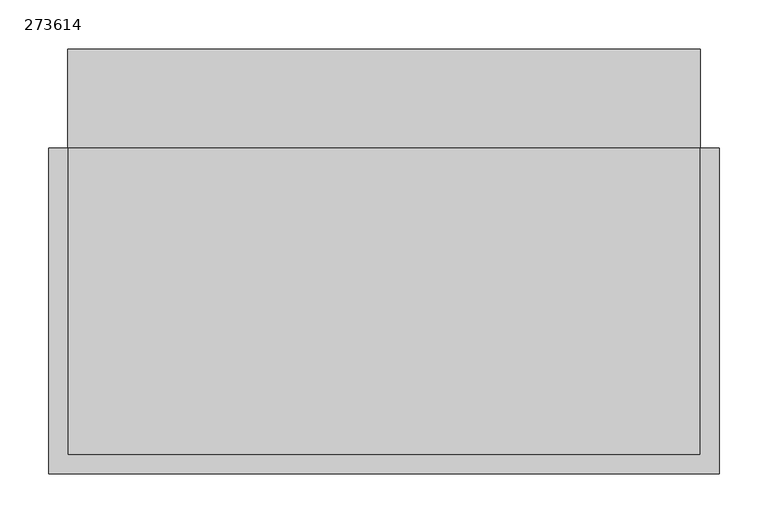
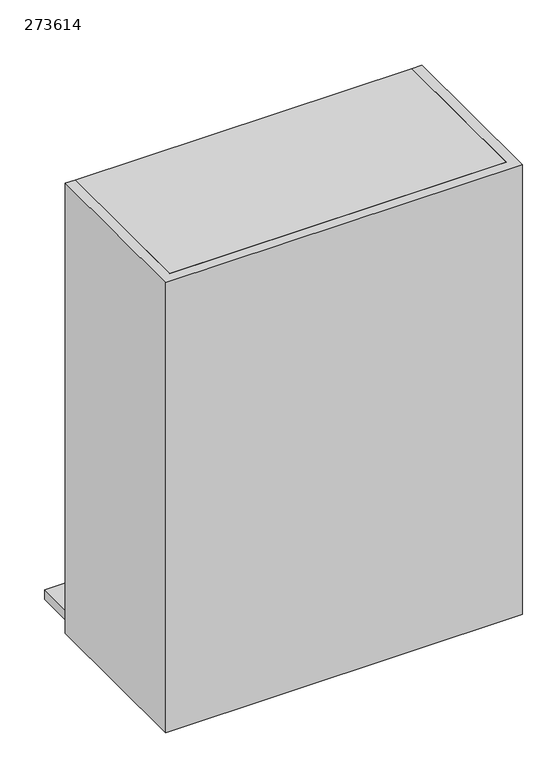
"""IFC4 building model written with IfcOpenShell, lengths in millimetres: furniture geometry, 273614."""

from ifc_helpers import new_model, si_unit, frame, origin, place, context, project, spatial, polyline, outline, extrude, source, transform, mapped, element, save


def furniture_273614_af609d48(model_context):
    return source(origin(), model_context, "Body", "SweptSolid", [
        extrude(outline(polyline([(323.7, 397.1), (342.9, 397.1), (342.9, 63.5), (-342.9, 63.5), (-342.9, 397.1), (-323.7, 397.1), (-323.7, 82.7), (323.7, 82.7), (323.7, 397.1)])), frame((0.0, 0.0, 1219.2), z_axis=(0.0, 0.0, 1.0), x_axis=(1.0, 0.0, 0.0)), (0.0, 0.0, 1.0), 914.4),
        extrude(outline(polyline([(323.7, 82.7), (-323.7, 82.7), (-323.7, 387.1), (323.7, 387.1), (323.7, 82.7)])), frame((0.0, 0.0, 1619.2), z_axis=(0.0, 0.0, 1.0), x_axis=(1.0, 0.0, 0.0)), (0.0, 0.0, 1.0), 19.2),
        extrude(outline(polyline([(323.7, 397.1), (323.7, 82.7), (-323.7, 82.7), (-323.7, 397.1), (323.7, 397.1)])), frame((0.0, 0.0, 2114.4), z_axis=(0.0, 0.0, 1.0), x_axis=(1.0, 0.0, 0.0)), (0.0, 0.0, 1.0), 19.2),
        extrude(outline(polyline([(-323.7, 498.7), (323.7, 498.7), (323.7, 82.7), (-323.7, 82.7), (-323.7, 498.7)])), frame((0.0, 0.0, 1219.2), z_axis=(0.0, 0.0, 1.0), x_axis=(1.0, 0.0, 0.0)), (0.0, 0.0, 1.0), 19.2),
    ])


if __name__ == "__main__":
    model = new_model("IFC4")
    model_context = context("Model", 3, world=origin())
    ifc_project = project(units=[si_unit("LENGTHUNIT", "METRE", prefix="MILLI")], contexts=[model_context])
    site = spatial("IfcSite", under=ifc_project)
    building = spatial("IfcBuilding", under=site)
    placement = place(None, origin())
    furniture_273614_shape = furniture_273614_af609d48(model_context)
    element("IfcFurniture", 1, ObjectType="273614", at=placement, inside=building, context=model_context, shape_type="MappedRepresentation", body=[
        mapped(furniture_273614_shape, transform((0.0, 0.0, 0.0), x_axis=(1.0, 0.0, 0.0), y_axis=(0.0, 1.0, 0.0), z_axis=(0.0, 0.0, 1.0))),
    ])
    save(model, "model.ifc")
